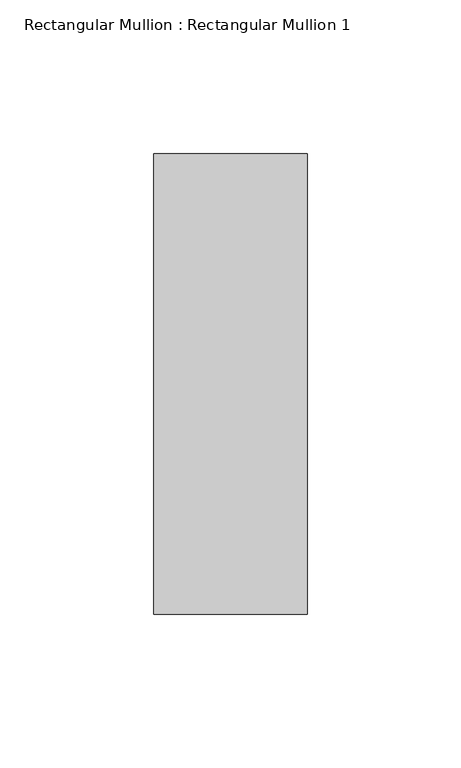
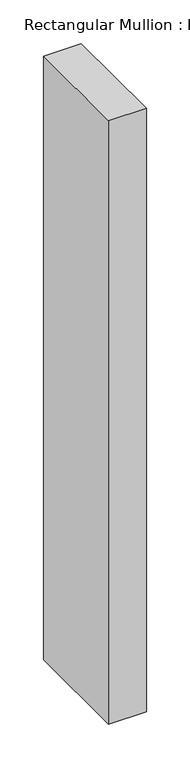
"""IFC4 building model written with IfcOpenShell, lengths in millimetres: member geometry, Rectangular Mullion : Rectangular Mullion 1."""

import ifcopenshell
import ifcopenshell.guid

model = None  # the IFC model being written
_history = None  # IfcOwnerHistory: only IFC2X3 demands one
_inside = {}  # id of a spatial element -> (the spatial element, [elements in it])
_under = {}  # id of a project, library or spatial element -> (it, [spatial elements below it])
_declared = {}  # id of a project -> (the project, [libraries it declares])
_typed = {}  # id of a type object -> (the type object, [elements of that type])
_made_of = {}  # id of a material, layer set ... -> (it, [elements and type objects made of it])


def new_model(schema):
    """Start an empty IFC model of exactly this schema.

    Asked for "IFC4X3", IfcOpenShell would pick the latest addendum, in which some entities
    have other attributes; the version numbers below select the first issue.
    IFC2X3 requires an IfcOwnerHistory on every rooted entity: one is made here for all.
    """
    global model, _history
    if schema == "IFC4X3":
        model = ifcopenshell.file(schema_version=(4, 3, 0, 0))
    else:
        model = ifcopenshell.file(schema=schema)
    _inside.clear()
    _under.clear()
    _declared.clear()
    _typed.clear()
    _made_of.clear()
    _history = None
    if model.schema == "IFC2X3":
        org = make("IfcOrganization", Name="unknown")
        user = make(
            "IfcPersonAndOrganization",
            ThePerson=make("IfcPerson", FamilyName="unknown"),
            TheOrganization=org,
        )
        app = make(
            "IfcApplication",
            ApplicationDeveloper=org,
            Version="unknown",
            ApplicationFullName="unknown",
            ApplicationIdentifier="unknown",
        )
        _history = make(
            "IfcOwnerHistory",
            OwningUser=user,
            OwningApplication=app,
            ChangeAction="ADDED",
            CreationDate=0,
        )
    return model


def make(cls, **values):
    """One entity of the class cls with the attributes given. An attribute that is None is left unset."""
    return model.create_entity(
        cls, **{name: value for name, value in values.items() if value is not None}
    )


def rooted(cls, **values):
    """An entity with a GlobalId (a new one), such as an element, a storey or a relation."""
    return make(cls, GlobalId=ifcopenshell.guid.new(), OwnerHistory=_history, **values)


def si_unit(unit_type, name, prefix=None):
    """IfcSIUnit, for example si_unit("LENGTHUNIT", "METRE", prefix="MILLI")."""
    return make("IfcSIUnit", UnitType=unit_type, Prefix=prefix, Name=name)


def assignment(units):
    """IfcUnitAssignment: the units of a project."""
    return None if units is None else make("IfcUnitAssignment", Units=units)


def point(xyz):
    """IfcCartesianPoint."""
    return None if xyz is None else make("IfcCartesianPoint", Coordinates=xyz)


def direction(xyz):
    """IfcDirection."""
    return None if xyz is None else make("IfcDirection", DirectionRatios=xyz)


def frame(location, z_axis=None, x_axis=None):
    """IfcAxis2Placement3D, a coordinate frame: its origin and axes. An axis left out is left unset."""
    return make(
        "IfcAxis2Placement3D",
        Location=point(location),
        Axis=direction(z_axis),
        RefDirection=direction(x_axis),
    )


def origin():
    """The frame at (0, 0, 0) with its axes left unset."""
    return frame((0.0, 0.0, 0.0))


def place(relative_to, where):
    """IfcLocalPlacement: puts the frame where relative to a parent placement (None: the world)."""
    return make(
        "IfcLocalPlacement", PlacementRelTo=relative_to, RelativePlacement=where
    )


def context(
    kind, dimensions, precision=None, world=None, true_north=None, identifier=None
):
    """IfcGeometricRepresentationContext, for example the 3D "Model" context."""
    return make(
        "IfcGeometricRepresentationContext",
        ContextIdentifier=identifier,
        ContextType=kind,
        CoordinateSpaceDimension=dimensions,
        Precision=precision,
        WorldCoordinateSystem=world,
        TrueNorth=true_north,
    )


def project(units=None, contexts=None):
    """IfcProject with its units and contexts."""
    return rooted(
        "IfcProject",
        Name="project",
        RepresentationContexts=contexts,
        UnitsInContext=assignment(units),
    )


def spatial(cls, under=None, at=None, **own):
    """A site, building, storey or space (cls), placed at a placement, below another one or the project."""
    s = rooted(cls, ObjectPlacement=at, **own)
    if under is not None:
        _under.setdefault(under.id(), (under, []))[1].append(s)
    return s


def polyline(points):
    """IfcPolyline through the points."""
    return make("IfcPolyline", Points=[point(p) for p in points])


def outline(outer, holes=None, kind="AREA"):
    """IfcArbitraryClosedProfileDef: a profile drawn as a closed curve; with holes, ...WithVoids."""
    if holes is None:
        return make("IfcArbitraryClosedProfileDef", ProfileType=kind, OuterCurve=outer)
    return make(
        "IfcArbitraryProfileDefWithVoids",
        ProfileType=kind,
        OuterCurve=outer,
        InnerCurves=holes,
    )


def extrude(swept, where, along, depth):
    """IfcExtrudedAreaSolid: the profile swept, set in the frame where, extruded along a direction by depth."""
    return make(
        "IfcExtrudedAreaSolid",
        SweptArea=swept,
        Position=where,
        ExtrudedDirection=direction(along),
        Depth=depth,
    )


def shape(context_of_items, identifier, shape_type, items):
    """IfcShapeRepresentation: the items that make up one representation, for example the "Body"."""
    return make(
        "IfcShapeRepresentation",
        ContextOfItems=context_of_items,
        RepresentationIdentifier=identifier,
        RepresentationType=shape_type,
        Items=items,
    )


def source(mapping_origin, context_of_items, identifier, shape_type, items):
    """IfcRepresentationMap: a shape defined once, which mapped items show again and again."""
    return make(
        "IfcRepresentationMap",
        MappingOrigin=mapping_origin,
        MappedRepresentation=shape(context_of_items, identifier, shape_type, items),
    )


def transform(
    local_origin,
    x_axis=None,
    y_axis=None,
    z_axis=None,
    scale=None,
    scale2=None,
    scale3=None,
    uniform=True,
):
    """IfcCartesianTransformationOperator3D, or its non-uniform kind. x_axis, y_axis, z_axis: its Axis1, 2, 3."""
    if uniform:
        return make(
            "IfcCartesianTransformationOperator3D",
            Axis1=direction(x_axis),
            Axis2=direction(y_axis),
            LocalOrigin=point(local_origin),
            Scale=scale,
            Axis3=direction(z_axis),
        )
    return make(
        "IfcCartesianTransformationOperator3DnonUniform",
        Axis1=direction(x_axis),
        Axis2=direction(y_axis),
        LocalOrigin=point(local_origin),
        Scale=scale,
        Axis3=direction(z_axis),
        Scale2=scale2,
        Scale3=scale3,
    )


def mapped(mapping_source, mapping_target):
    """IfcMappedItem: shows the shape of a source again, moved by a transform."""
    return make(
        "IfcMappedItem", MappingSource=mapping_source, MappingTarget=mapping_target
    )


def made_of(thing, what):
    """Note that an element or type object is made of a material, layer set ...; save() writes the relation."""
    if what is not None:
        _made_of.setdefault(what.id(), (what, []))[1].append(thing)
    return thing


def element(
    cls,
    number,
    at=None,
    inside=None,
    cuts=None,
    type_object=None,
    material=None,
    context=None,
    identifier="Body",
    shape_type=None,
    held_by="IfcProductDefinitionShape",
    body=None,
    shapes=None,
    **own,
):
    """One element of the class cls, such as IfcWall. Its Tag is "e" and its number.

    at: its placement. inside: the storey or other place that contains it. cuts: it is an
    opening in that element (IfcRelVoidsElement). A single representation is given by context,
    identifier, shape_type and body (its items); several are given by shapes. held_by: the class
    of the entity that holds the representations. save() writes the other relations.
    """
    e = rooted(cls, Tag="e%d" % number, ObjectPlacement=at, **own)
    if body is not None:
        shapes = [shape(context, identifier, shape_type, body)]
    if shapes is not None:
        e.Representation = make(held_by, Representations=shapes)
    if inside is not None:
        _inside.setdefault(inside.id(), (inside, []))[1].append(e)
    if cuts is not None:
        rooted(
            "IfcRelVoidsElement", RelatingBuildingElement=cuts, RelatedOpeningElement=e
        )
    if type_object is not None:
        _typed.setdefault(type_object.id(), (type_object, []))[1].append(e)
    return made_of(e, material)


def aggregate(whole, parts):
    """IfcRelAggregates: a whole, such as a stair, and the parts it consists of."""
    return rooted("IfcRelAggregates", RelatingObject=whole, RelatedObjects=parts)


def save(model, path):
    """Write the relations noted so far, then the file.

    IfcRelAggregates (storeys below a building ...), IfcRelContainedInSpatialStructure (elements
    in a storey), IfcRelDefinesByType, IfcRelAssociatesMaterial and IfcRelDeclares: one each for
    every whole, place, type object, material and project.
    """
    for whole, parts in _under.values():
        aggregate(whole, parts)
    for where, things in _inside.values():
        rooted(
            "IfcRelContainedInSpatialStructure",
            RelatedElements=things,
            RelatingStructure=where,
        )
    for kind, things in _typed.values():
        rooted("IfcRelDefinesByType", RelatedObjects=things, RelatingType=kind)
    for what, things in _made_of.values():
        rooted("IfcRelAssociatesMaterial", RelatedObjects=things, RelatingMaterial=what)
    for by, libraries in _declared.values():
        rooted("IfcRelDeclares", RelatingContext=by, RelatedDefinitions=libraries)
    model.write(path)


def rectangular_mullion_rectangular_mullion_1_beeb0bca(model_context):
    return source(origin(), model_context, "Body", "SweptSolid", [
        extrude(outline(polyline([(25.0, 75.0), (25.0, -75.0), (-25.0, -75.0), (-25.0, 75.0), (25.0, 75.0)])), frame((0.0, 0.0, -846.0), z_axis=(0.0, 0.0, 1.0), x_axis=(1.0, 0.0, 0.0)), (0.0, 0.0, 1.0), 846.0),
    ])


if __name__ == "__main__":
    model = new_model("IFC4")
    model_context = context("Model", 3, world=origin())
    ifc_project = project(units=[si_unit("LENGTHUNIT", "METRE", prefix="MILLI")], contexts=[model_context])
    site = spatial("IfcSite", under=ifc_project)
    building = spatial("IfcBuilding", under=site)
    placement = place(None, origin())
    rectangular_mullion_rectangular_mullion_1_shape = rectangular_mullion_rectangular_mullion_1_beeb0bca(model_context)
    element("IfcMember", 1, ObjectType="Rectangular Mullion : Rectangular Mullion 1", at=placement, inside=building, context=model_context, shape_type="MappedRepresentation", body=[
        mapped(rectangular_mullion_rectangular_mullion_1_shape, transform((0.0, 0.0, 0.0), x_axis=(1.0, 0.0, 0.0), y_axis=(0.0, 1.0, 0.0), z_axis=(0.0, 0.0, 1.0))),
    ])
    save(model, "model.ifc")
